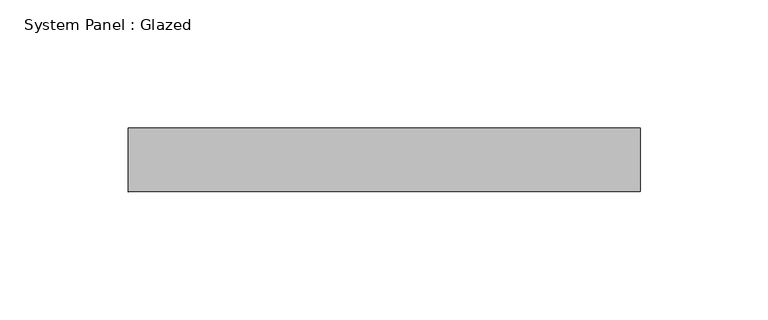
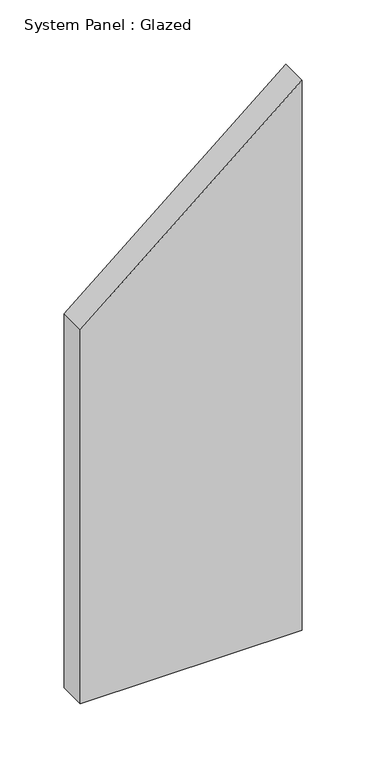
"""IFC4 building model written with IfcOpenShell, lengths in millimetres: plate geometry, System Panel : Glazed."""

from ifc_helpers import new_model, si_unit, frame, origin, place, context, project, spatial, polyline, outline, extrude, source, transform, mapped, element, save


def system_panel_glazed_0dfc9f64(model_context):
    return source(origin(), model_context, "Body", "SweptSolid", [
        extrude(outline(polyline([(0.0, -100.0), (0.0, 100.0), (524.2184512, 100.0), (356.398525, -100.0), (0.0, -100.0)])), frame((0.0, 24.5, 0.0), z_axis=(0.0, 1.0, 0.0), x_axis=(0.0, 0.0, 1.0)), (0.0, 0.0, 1.0), 25.0),
    ])


if __name__ == "__main__":
    model = new_model("IFC4")
    model_context = context("Model", 3, world=origin())
    ifc_project = project(units=[si_unit("LENGTHUNIT", "METRE", prefix="MILLI")], contexts=[model_context])
    site = spatial("IfcSite", under=ifc_project)
    building = spatial("IfcBuilding", under=site)
    placement = place(None, origin())
    system_panel_glazed_shape = system_panel_glazed_0dfc9f64(model_context)
    element("IfcPlate", 1, ObjectType="System Panel : Glazed", at=placement, inside=building, context=model_context, shape_type="MappedRepresentation", body=[
        mapped(system_panel_glazed_shape, transform((0.0, 0.0, 0.0), x_axis=(1.0, 0.0, 0.0), y_axis=(0.0, 1.0, 0.0), z_axis=(0.0, 0.0, 1.0))),
    ])
    save(model, "model.ifc")
